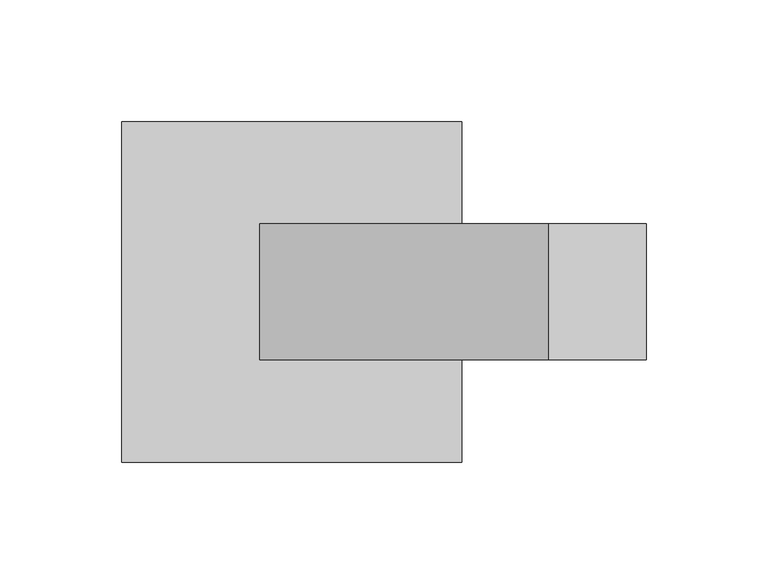
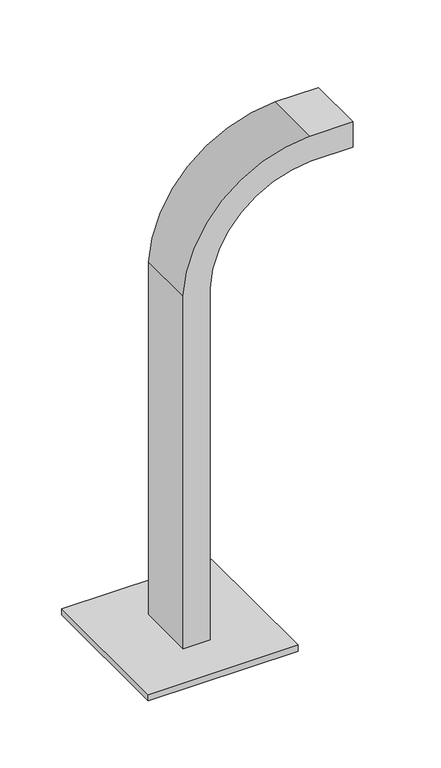
"""IFC4 building model written with IfcOpenShell, lengths in millimetres: furniture geometry."""

from ifc_helpers import new_model, si_unit, point, frame, frame_2d, origin, origin_with_axes, place, context, project, spatial, polyline, circle_curve, trimmed, segment, composite_curve, outline, extrude, source, transform, mapped, element, save


def furniture_411b7423(model_context):
    return source(origin(), model_context, "Body", "SweptSolid", [
        extrude(outline(composite_curve([segment(polyline([(359.4420469, -533.0547414), (11.0, -533.0547414), (11.0, -508.0547414), (358.7575366, -508.0547414)]), True, "CONTINUOUS"), segment(trimmed(circle_curve(frame_2d((353.0696692, -410.1651072)), 98.0547414), [point((358.7575366, -508.0547414))], [point((451.0547414, -413.8607731))], True, "CARTESIAN"), True, "CONTINUOUS"), segment(polyline([(451.0547414, -413.8607731), (451.0547414, -374.0794885), (476.0547414, -374.0794885), (476.0547414, -414.3053257)]), True, "CONTINUOUS"), segment(trimmed(circle_curve(frame_2d((353.0696692, -410.1651072)), 123.0547414), [point((476.0547414, -414.3053257))], [point((359.4420469, -533.0547414))], False, "CARTESIAN"), True, "CONTINUOUS")], self_intersect=False)), frame((0.0, -27.920928, 0.0), z_axis=(0.0, 1.0, 0.0), x_axis=(0.0, 0.0, 1.0)), (0.0, 0.0, 1.0), 55.8418559),
        extrude(outline(composite_curve([segment(trimmed(circle_curve(frame_2d((-578.0500045, -58.0314537)), 5.0), [point((-583.0500045, -58.0314537))], [point((-573.0500045, -58.0314537))], False, "CARTESIAN"), True, "CONTINUOUS"), segment(trimmed(circle_curve(frame_2d((-578.0500045, -58.0314537)), 5.0), [point((-573.0500045, -58.0314537))], [point((-583.0500045, -58.0314537))], False, "CARTESIAN"), True, "CONTINUOUS")], self_intersect=False)), origin_with_axes(), (0.0, 0.0, 1.0), 5.0),
        extrude(outline(composite_curve([segment(trimmed(circle_curve(frame_2d((-461.9499955, -58.0314537)), 5.0), [point((-466.9499955, -58.0314537))], [point((-456.9499955, -58.0314537))], False, "CARTESIAN"), True, "CONTINUOUS"), segment(trimmed(circle_curve(frame_2d((-461.9499955, -58.0314537)), 5.0), [point((-456.9499955, -58.0314537))], [point((-466.9499955, -58.0314537))], False, "CARTESIAN"), True, "CONTINUOUS")], self_intersect=False)), origin_with_axes(), (0.0, 0.0, 1.0), 5.0),
        extrude(outline(composite_curve([segment(trimmed(circle_curve(frame_2d((-578.0500045, 58.0314537)), 5.0), [point((-583.0500045, 58.0314537))], [point((-573.0500045, 58.0314537))], False, "CARTESIAN"), True, "CONTINUOUS"), segment(trimmed(circle_curve(frame_2d((-578.0500045, 58.0314537)), 5.0), [point((-573.0500045, 58.0314537))], [point((-583.0500045, 58.0314537))], False, "CARTESIAN"), True, "CONTINUOUS")], self_intersect=False)), origin_with_axes(), (0.0, 0.0, 1.0), 5.0),
        extrude(outline(composite_curve([segment(trimmed(circle_curve(frame_2d((-461.9499955, 58.0314537)), 5.0), [point((-466.9499955, 58.0314537))], [point((-456.9499955, 58.0314537))], False, "CARTESIAN"), True, "CONTINUOUS"), segment(trimmed(circle_curve(frame_2d((-461.9499955, 58.0314537)), 5.0), [point((-456.9499955, 58.0314537))], [point((-466.9499955, 58.0314537))], False, "CARTESIAN"), True, "CONTINUOUS")], self_intersect=False)), origin_with_axes(), (0.0, 0.0, 1.0), 5.0),
        extrude(outline(polyline([(-450.0, -70.0), (-590.0, -70.0), (-590.0, 70.0), (-450.0, 70.0), (-450.0, -70.0)])), frame((0.0, 0.0, 5.0), z_axis=(0.0, 0.0, 1.0), x_axis=(1.0, 0.0, 0.0)), (0.0, 0.0, 1.0), 6.0),
    ])


if __name__ == "__main__":
    model = new_model("IFC4")
    model_context = context("Model", 3, world=origin())
    ifc_project = project(units=[si_unit("LENGTHUNIT", "METRE", prefix="MILLI")], contexts=[model_context])
    site = spatial("IfcSite", under=ifc_project)
    building = spatial("IfcBuilding", under=site)
    placement = place(None, origin())
    furniture_shape = furniture_411b7423(model_context)
    element("IfcFurniture", 1, at=placement, inside=building, context=model_context, shape_type="MappedRepresentation", body=[
        mapped(furniture_shape, transform((0.0, 0.0, 0.0), x_axis=(1.0, 0.0, 0.0), y_axis=(0.0, 1.0, 0.0), z_axis=(0.0, 0.0, 1.0))),
    ])
    save(model, "model.ifc")
